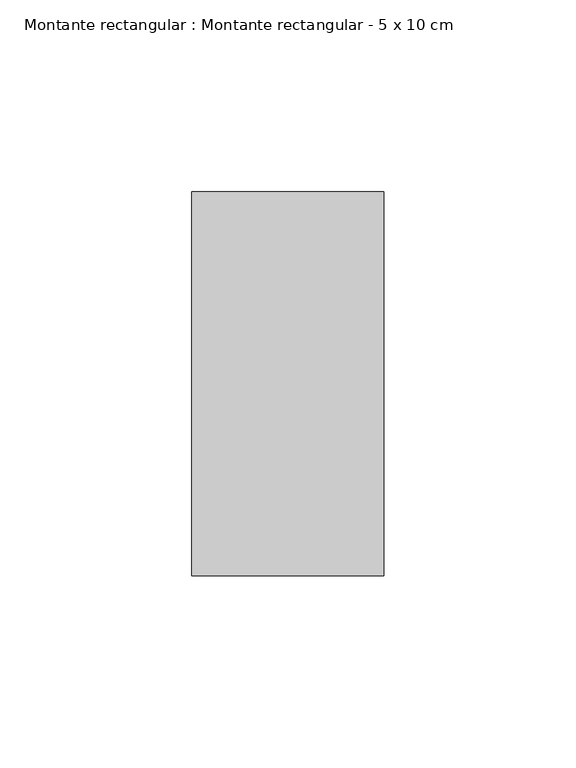
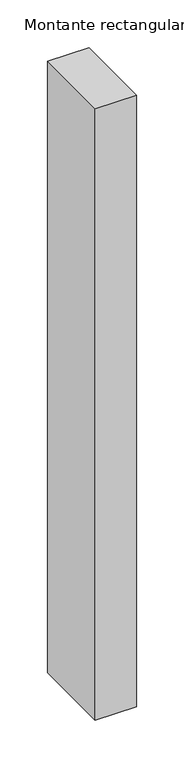
"""IFC4 building model written with IfcOpenShell, lengths in millimetres: member geometry, Montante rectangular : Montante rectangular - 5 x 10 cm."""

import ifcopenshell
import ifcopenshell.guid

model = None  # the IFC model being written
_history = None  # IfcOwnerHistory: only IFC2X3 demands one
_inside = {}  # id of a spatial element -> (the spatial element, [elements in it])
_under = {}  # id of a project, library or spatial element -> (it, [spatial elements below it])
_declared = {}  # id of a project -> (the project, [libraries it declares])
_typed = {}  # id of a type object -> (the type object, [elements of that type])
_made_of = {}  # id of a material, layer set ... -> (it, [elements and type objects made of it])


def new_model(schema):
    """Start an empty IFC model of exactly this schema.

    Asked for "IFC4X3", IfcOpenShell would pick the latest addendum, in which some entities
    have other attributes; the version numbers below select the first issue.
    IFC2X3 requires an IfcOwnerHistory on every rooted entity: one is made here for all.
    """
    global model, _history
    if schema == "IFC4X3":
        model = ifcopenshell.file(schema_version=(4, 3, 0, 0))
    else:
        model = ifcopenshell.file(schema=schema)
    _inside.clear()
    _under.clear()
    _declared.clear()
    _typed.clear()
    _made_of.clear()
    _history = None
    if model.schema == "IFC2X3":
        org = make("IfcOrganization", Name="unknown")
        user = make(
            "IfcPersonAndOrganization",
            ThePerson=make("IfcPerson", FamilyName="unknown"),
            TheOrganization=org,
        )
        app = make(
            "IfcApplication",
            ApplicationDeveloper=org,
            Version="unknown",
            ApplicationFullName="unknown",
            ApplicationIdentifier="unknown",
        )
        _history = make(
            "IfcOwnerHistory",
            OwningUser=user,
            OwningApplication=app,
            ChangeAction="ADDED",
            CreationDate=0,
        )
    return model


def make(cls, **values):
    """One entity of the class cls with the attributes given. An attribute that is None is left unset."""
    return model.create_entity(
        cls, **{name: value for name, value in values.items() if value is not None}
    )


def rooted(cls, **values):
    """An entity with a GlobalId (a new one), such as an element, a storey or a relation."""
    return make(cls, GlobalId=ifcopenshell.guid.new(), OwnerHistory=_history, **values)


def si_unit(unit_type, name, prefix=None):
    """IfcSIUnit, for example si_unit("LENGTHUNIT", "METRE", prefix="MILLI")."""
    return make("IfcSIUnit", UnitType=unit_type, Prefix=prefix, Name=name)


def assignment(units):
    """IfcUnitAssignment: the units of a project."""
    return None if units is None else make("IfcUnitAssignment", Units=units)


def point(xyz):
    """IfcCartesianPoint."""
    return None if xyz is None else make("IfcCartesianPoint", Coordinates=xyz)


def direction(xyz):
    """IfcDirection."""
    return None if xyz is None else make("IfcDirection", DirectionRatios=xyz)


def frame(location, z_axis=None, x_axis=None):
    """IfcAxis2Placement3D, a coordinate frame: its origin and axes. An axis left out is left unset."""
    return make(
        "IfcAxis2Placement3D",
        Location=point(location),
        Axis=direction(z_axis),
        RefDirection=direction(x_axis),
    )


def origin():
    """The frame at (0, 0, 0) with its axes left unset."""
    return frame((0.0, 0.0, 0.0))


def place(relative_to, where):
    """IfcLocalPlacement: puts the frame where relative to a parent placement (None: the world)."""
    return make(
        "IfcLocalPlacement", PlacementRelTo=relative_to, RelativePlacement=where
    )


def context(
    kind, dimensions, precision=None, world=None, true_north=None, identifier=None
):
    """IfcGeometricRepresentationContext, for example the 3D "Model" context."""
    return make(
        "IfcGeometricRepresentationContext",
        ContextIdentifier=identifier,
        ContextType=kind,
        CoordinateSpaceDimension=dimensions,
        Precision=precision,
        WorldCoordinateSystem=world,
        TrueNorth=true_north,
    )


def project(units=None, contexts=None):
    """IfcProject with its units and contexts."""
    return rooted(
        "IfcProject",
        Name="project",
        RepresentationContexts=contexts,
        UnitsInContext=assignment(units),
    )


def spatial(cls, under=None, at=None, **own):
    """A site, building, storey or space (cls), placed at a placement, below another one or the project."""
    s = rooted(cls, ObjectPlacement=at, **own)
    if under is not None:
        _under.setdefault(under.id(), (under, []))[1].append(s)
    return s


def polyline(points):
    """IfcPolyline through the points."""
    return make("IfcPolyline", Points=[point(p) for p in points])


def outline(outer, holes=None, kind="AREA"):
    """IfcArbitraryClosedProfileDef: a profile drawn as a closed curve; with holes, ...WithVoids."""
    if holes is None:
        return make("IfcArbitraryClosedProfileDef", ProfileType=kind, OuterCurve=outer)
    return make(
        "IfcArbitraryProfileDefWithVoids",
        ProfileType=kind,
        OuterCurve=outer,
        InnerCurves=holes,
    )


def extrude(swept, where, along, depth):
    """IfcExtrudedAreaSolid: the profile swept, set in the frame where, extruded along a direction by depth."""
    return make(
        "IfcExtrudedAreaSolid",
        SweptArea=swept,
        Position=where,
        ExtrudedDirection=direction(along),
        Depth=depth,
    )


def shape(context_of_items, identifier, shape_type, items):
    """IfcShapeRepresentation: the items that make up one representation, for example the "Body"."""
    return make(
        "IfcShapeRepresentation",
        ContextOfItems=context_of_items,
        RepresentationIdentifier=identifier,
        RepresentationType=shape_type,
        Items=items,
    )


def source(mapping_origin, context_of_items, identifier, shape_type, items):
    """IfcRepresentationMap: a shape defined once, which mapped items show again and again."""
    return make(
        "IfcRepresentationMap",
        MappingOrigin=mapping_origin,
        MappedRepresentation=shape(context_of_items, identifier, shape_type, items),
    )


def transform(
    local_origin,
    x_axis=None,
    y_axis=None,
    z_axis=None,
    scale=None,
    scale2=None,
    scale3=None,
    uniform=True,
):
    """IfcCartesianTransformationOperator3D, or its non-uniform kind. x_axis, y_axis, z_axis: its Axis1, 2, 3."""
    if uniform:
        return make(
            "IfcCartesianTransformationOperator3D",
            Axis1=direction(x_axis),
            Axis2=direction(y_axis),
            LocalOrigin=point(local_origin),
            Scale=scale,
            Axis3=direction(z_axis),
        )
    return make(
        "IfcCartesianTransformationOperator3DnonUniform",
        Axis1=direction(x_axis),
        Axis2=direction(y_axis),
        LocalOrigin=point(local_origin),
        Scale=scale,
        Axis3=direction(z_axis),
        Scale2=scale2,
        Scale3=scale3,
    )


def mapped(mapping_source, mapping_target):
    """IfcMappedItem: shows the shape of a source again, moved by a transform."""
    return make(
        "IfcMappedItem", MappingSource=mapping_source, MappingTarget=mapping_target
    )


def made_of(thing, what):
    """Note that an element or type object is made of a material, layer set ...; save() writes the relation."""
    if what is not None:
        _made_of.setdefault(what.id(), (what, []))[1].append(thing)
    return thing


def element(
    cls,
    number,
    at=None,
    inside=None,
    cuts=None,
    type_object=None,
    material=None,
    context=None,
    identifier="Body",
    shape_type=None,
    held_by="IfcProductDefinitionShape",
    body=None,
    shapes=None,
    **own,
):
    """One element of the class cls, such as IfcWall. Its Tag is "e" and its number.

    at: its placement. inside: the storey or other place that contains it. cuts: it is an
    opening in that element (IfcRelVoidsElement). A single representation is given by context,
    identifier, shape_type and body (its items); several are given by shapes. held_by: the class
    of the entity that holds the representations. save() writes the other relations.
    """
    e = rooted(cls, Tag="e%d" % number, ObjectPlacement=at, **own)
    if body is not None:
        shapes = [shape(context, identifier, shape_type, body)]
    if shapes is not None:
        e.Representation = make(held_by, Representations=shapes)
    if inside is not None:
        _inside.setdefault(inside.id(), (inside, []))[1].append(e)
    if cuts is not None:
        rooted(
            "IfcRelVoidsElement", RelatingBuildingElement=cuts, RelatedOpeningElement=e
        )
    if type_object is not None:
        _typed.setdefault(type_object.id(), (type_object, []))[1].append(e)
    return made_of(e, material)


def aggregate(whole, parts):
    """IfcRelAggregates: a whole, such as a stair, and the parts it consists of."""
    return rooted("IfcRelAggregates", RelatingObject=whole, RelatedObjects=parts)


def save(model, path):
    """Write the relations noted so far, then the file.

    IfcRelAggregates (storeys below a building ...), IfcRelContainedInSpatialStructure (elements
    in a storey), IfcRelDefinesByType, IfcRelAssociatesMaterial and IfcRelDeclares: one each for
    every whole, place, type object, material and project.
    """
    for whole, parts in _under.values():
        aggregate(whole, parts)
    for where, things in _inside.values():
        rooted(
            "IfcRelContainedInSpatialStructure",
            RelatedElements=things,
            RelatingStructure=where,
        )
    for kind, things in _typed.values():
        rooted("IfcRelDefinesByType", RelatedObjects=things, RelatingType=kind)
    for what, things in _made_of.values():
        rooted("IfcRelAssociatesMaterial", RelatedObjects=things, RelatingMaterial=what)
    for by, libraries in _declared.values():
        rooted("IfcRelDeclares", RelatingContext=by, RelatedDefinitions=libraries)
    model.write(path)


def montante_rectangular_montante_rectangular_5_x_10_cm_17a407bb(model_context):
    return source(origin(), model_context, "Body", "SweptSolid", [
        extrude(outline(polyline([(0.0, 50.0), (0.0, -50.0), (-50.0, -50.0), (-50.0, 50.0), (0.0, 50.0)])), frame((0.0, 0.0, -782.3333333), z_axis=(0.0, 0.0, 1.0), x_axis=(1.0, 0.0, 0.0)), (0.0, 0.0, 1.0), 782.3333333),
    ])


if __name__ == "__main__":
    model = new_model("IFC4")
    model_context = context("Model", 3, world=origin())
    ifc_project = project(units=[si_unit("LENGTHUNIT", "METRE", prefix="MILLI")], contexts=[model_context])
    site = spatial("IfcSite", under=ifc_project)
    building = spatial("IfcBuilding", under=site)
    placement = place(None, origin())
    montante_rectangular_montante_rectangular_5_x_10_cm_shape = montante_rectangular_montante_rectangular_5_x_10_cm_17a407bb(model_context)
    element("IfcMember", 1, ObjectType="Montante rectangular : Montante rectangular - 5 x 10 cm", at=placement, inside=building, context=model_context, shape_type="MappedRepresentation", body=[
        mapped(montante_rectangular_montante_rectangular_5_x_10_cm_shape, transform((0.0, 0.0, 0.0), x_axis=(1.0, 0.0, 0.0), y_axis=(0.0, 1.0, 0.0), z_axis=(0.0, 0.0, 1.0))),
    ])
    save(model, "model.ifc")
